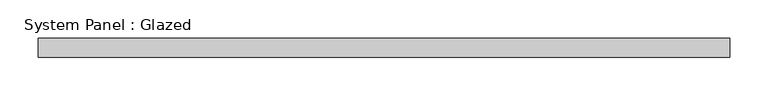
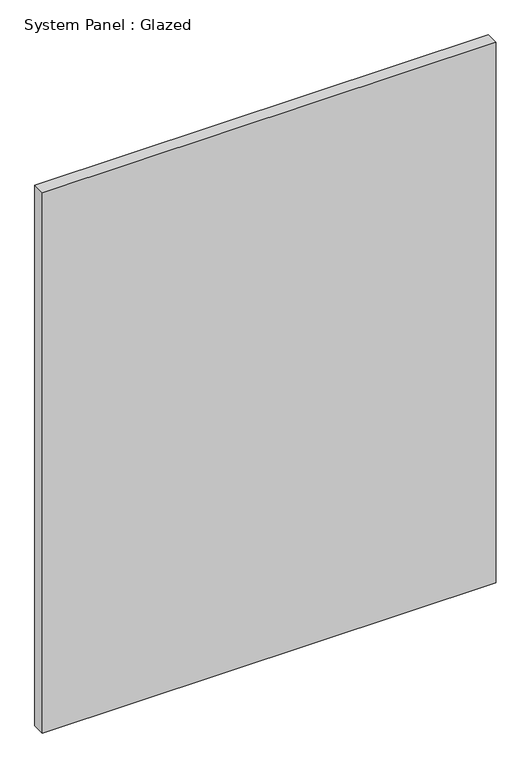
"""IFC4 building model written with IfcOpenShell, lengths in millimetres: plate geometry, System Panel : Glazed."""

from ifc_helpers import new_model, si_unit, origin, origin_with_axes, place, context, project, spatial, polyline, outline, extrude, source, transform, mapped, element, save


def system_panel_glazed_d4fc0ff1(model_context):
    return source(origin(), model_context, "Body", "SweptSolid", [
        extrude(outline(polyline([(454.10735, -12.7), (-454.10735, -12.7), (-454.10735, 12.7), (454.10735, 12.7), (454.10735, -12.7)])), origin_with_axes(), (0.0, 0.0, 1.0), 1143.0),
    ])


if __name__ == "__main__":
    model = new_model("IFC4")
    model_context = context("Model", 3, world=origin())
    ifc_project = project(units=[si_unit("LENGTHUNIT", "METRE", prefix="MILLI")], contexts=[model_context])
    site = spatial("IfcSite", under=ifc_project)
    building = spatial("IfcBuilding", under=site)
    placement = place(None, origin())
    system_panel_glazed_shape = system_panel_glazed_d4fc0ff1(model_context)
    element("IfcPlate", 1, ObjectType="System Panel : Glazed", at=placement, inside=building, context=model_context, shape_type="MappedRepresentation", body=[
        mapped(system_panel_glazed_shape, transform((0.0, 0.0, 0.0), x_axis=(1.0, 0.0, 0.0), y_axis=(0.0, 1.0, 0.0), z_axis=(0.0, 0.0, 1.0))),
    ])
    save(model, "model.ifc")
